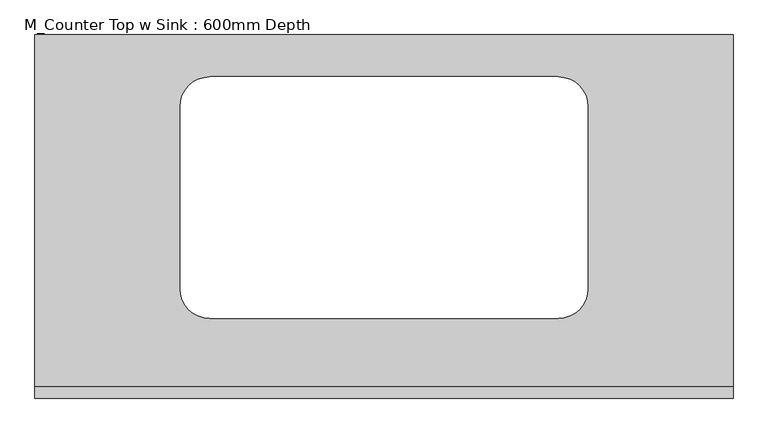
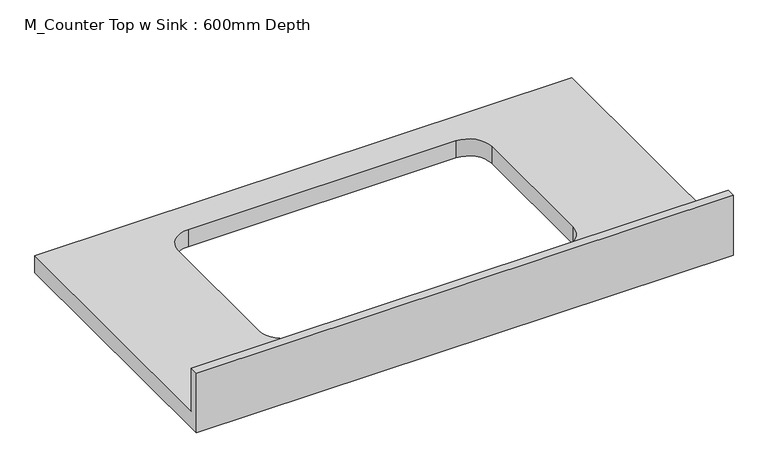
"""IFC4 building model written with IfcOpenShell, lengths in millimetres: furniture geometry, M_Counter Top w Sink : 600mm Depth."""

from ifc_helpers import new_model, si_unit, frame, origin, place, context, project, spatial, polyline, circle_curve, source, transform, mapped, element, save
from ifc_brep_helpers import plane_surface, revolved_surface, advanced_brep


def m_counter_top_w_sink_600mm_depth_d4a3e6a8(model_context):
    return source(origin(), model_context, "Body", "AdvancedBrep", [
        advanced_brep(
        [(-1200.4622951, 625.0, 900.0), (-1200.4622951, 19.05, 900.0), (-0.4622951, 19.05, 900.0), (-0.4622951, 625.0, 900.0), (-899.8622951, 137.3, 900.0), (-950.6622951, 188.1, 900.0), (-950.6622951, 501.9, 900.0), (-899.8622951, 552.7, 900.0), (-301.0622951, 552.7, 900.0), (-250.2622951, 501.9, 900.0), (-250.2622951, 188.1, 900.0), (-301.0622951, 137.3, 900.0), (-0.4622951, 0.0, 860.0), (-1200.4622951, 0.0, 860.0), (-1200.4622951, 625.0, 860.0), (-0.4622951, 625.0, 860.0), (-301.0622951, 137.3, 860.0), (-250.2622951, 188.1, 860.0), (-250.2622951, 501.9, 860.0), (-301.0622951, 552.7, 860.0), (-899.8622951, 552.7, 860.0), (-950.6622951, 501.9, 860.0), (-950.6622951, 188.1, 860.0), (-899.8622951, 137.3, 860.0), (-0.4622951, 0.0, 1001.6), (-1200.4622951, 0.0, 1001.6), (-1200.4622951, 19.05, 1001.6), (-0.4622951, 19.05, 1001.6)],
        [
            (0, 1),
            (1, 2),
            (2, 3),
            (3, 0),
            (4, 5, circle_curve(frame((-899.8622951, 188.1, 900.0), z_axis=(0.0, 0.0, -1.0), x_axis=(1.0, 0.0, 0.0)), 50.8)),
            (5, 6),
            (6, 7, circle_curve(frame((-899.8622951, 501.9, 900.0), z_axis=(0.0, 0.0, -1.0), x_axis=(1.0, 0.0, 0.0)), 50.8)),
            (7, 8),
            (8, 9, circle_curve(frame((-301.0622951, 501.9, 900.0), z_axis=(0.0, 0.0, -1.0), x_axis=(1.0, 0.0, 0.0)), 50.8)),
            (9, 10),
            (10, 11, circle_curve(frame((-301.0622951, 188.1, 900.0), z_axis=(0.0, 0.0, -1.0), x_axis=(1.0, 0.0, 0.0)), 50.8)),
            (11, 4),
            (12, 13),
            (13, 14),
            (14, 15),
            (15, 12),
            (16, 17, circle_curve(frame((-301.0622951, 188.1, 860.0), z_axis=(0.0, 0.0, 1.0), x_axis=(1.0, 0.0, 0.0)), 50.8)),
            (17, 18),
            (18, 19, circle_curve(frame((-301.0622951, 501.9, 860.0), z_axis=(0.0, 0.0, 1.0), x_axis=(1.0, 0.0, 0.0)), 50.8)),
            (19, 20),
            (20, 21, circle_curve(frame((-899.8622951, 501.9, 860.0), z_axis=(0.0, 0.0, 1.0), x_axis=(1.0, 0.0, 0.0)), 50.8)),
            (21, 22),
            (22, 23, circle_curve(frame((-899.8622951, 188.1, 860.0), z_axis=(0.0, 0.0, 1.0), x_axis=(1.0, 0.0, 0.0)), 50.8)),
            (23, 16),
            (12, 24),
            (24, 25),
            (25, 13),
            (25, 26),
            (26, 1),
            (0, 14),
            (3, 15),
            (2, 27),
            (27, 24),
            (27, 26),
            (11, 16),
            (23, 4),
            (22, 5),
            (21, 6),
            (20, 7),
            (19, 8),
            (18, 9),
            (17, 10),
        ],
        [
            plane_surface(frame((-1200.4622951, 0.0, 900.0), z_axis=(0.0, 0.0, 1.0), x_axis=(-1.0, 0.0, 0.0))),
            plane_surface(frame((-1200.4622951, 0.0, 860.0), z_axis=(0.0, 0.0, -1.0), x_axis=(1.0, 0.0, 0.0))),
            plane_surface(frame((-0.4622951, 0.0, 900.0), z_axis=(0.0, -1.0, 0.0), x_axis=(0.0, 0.0, -1.0))),
            plane_surface(frame((-1200.4622951, 0.0, 900.0), z_axis=(-1.0, 0.0, 0.0), x_axis=(0.0, 0.0, -1.0))),
            plane_surface(frame((-1200.4622951, 625.0, 900.0), z_axis=(0.0, 1.0, 0.0), x_axis=(0.0, 0.0, -1.0))),
            plane_surface(frame((-0.4622951, 625.0, 900.0), z_axis=(1.0, 0.0, 0.0), x_axis=(0.0, 0.0, -1.0))),
            plane_surface(frame((-1200.4622951, 0.0, 1001.6), z_axis=(0.0, 0.0, 1.0), x_axis=(0.0, 1.0, 0.0))),
            plane_surface(frame((-1200.4622951, 19.05, 1001.6), z_axis=(0.0, 1.0, 0.0), x_axis=(0.0, 0.0, -1.0))),
            plane_surface(frame((-301.0622951, 137.3, 900.0), z_axis=(0.0, 1.0, 0.0), x_axis=(0.0, 0.0, -1.0))),
            revolved_surface(polyline([(-849.0622951, 188.1, 900.0), (-849.0622951, 188.1, 860.0)]), (-899.8622951, 188.1, 860.0), (0.0, 0.0, 1.0)),
            plane_surface(frame((-950.6622951, 188.1, 900.0), z_axis=(1.0, 0.0, 0.0), x_axis=(0.0, 0.0, -1.0))),
            revolved_surface(polyline([(-849.0622951, 501.9, 900.0), (-849.0622951, 501.9, 860.0)]), (-899.8622951, 501.9, 860.0), (0.0, 0.0, 1.0)),
            plane_surface(frame((-899.8622951, 552.7, 900.0), z_axis=(0.0, -1.0, 0.0), x_axis=(0.0, 0.0, -1.0))),
            revolved_surface(polyline([(-250.26229509999996, 501.9, 900.0), (-250.26229509999996, 501.9, 860.0)]), (-301.0622951, 501.9, 860.0), (0.0, 0.0, 1.0)),
            plane_surface(frame((-250.2622951, 501.9, 900.0), z_axis=(-1.0, 0.0, 0.0), x_axis=(0.0, 0.0, -1.0))),
            revolved_surface(polyline([(-250.26229509999996, 188.1, 900.0), (-250.26229509999996, 188.1, 860.0)]), (-301.0622951, 188.1, 860.0), (0.0, 0.0, 1.0)),
        ],
        [
            (0, [[1, 2, 3, 4], [5, 6, 7, 8, 9, 10, 11, 12]]),
            (1, [[13, 14, 15, 16], [17, 18, 19, 20, 21, 22, 23, 24]]),
            (2, [[25, 26, 27, -13]]),
            (3, [[-27, 28, 29, -1, 30, -14]]),
            (4, [[31, -15, -30, -4]]),
            (5, [[-31, -3, 32, 33, -25, -16]]),
            (6, [[-26, -33, 34, -28]]),
            (7, [[-32, -2, -29, -34]]),
            (8, [[-12, 35, -24, 36]]),
            (9, [[-23, 37, -5, -36]]),
            (10, [[-22, 38, -6, -37]]),
            (11, [[-21, 39, -7, -38]]),
            (12, [[-20, 40, -8, -39]]),
            (13, [[-19, 41, -9, -40]]),
            (14, [[-18, 42, -10, -41]]),
            (15, [[-11, -42, -17, -35]]),
        ],
    ),
    ])


if __name__ == "__main__":
    model = new_model("IFC4")
    model_context = context("Model", 3, world=origin())
    ifc_project = project(units=[si_unit("LENGTHUNIT", "METRE", prefix="MILLI")], contexts=[model_context])
    site = spatial("IfcSite", under=ifc_project)
    building = spatial("IfcBuilding", under=site)
    placement = place(None, origin())
    m_counter_top_w_sink_600mm_depth_shape = m_counter_top_w_sink_600mm_depth_d4a3e6a8(model_context)
    element("IfcFurniture", 1, ObjectType="M_Counter Top w Sink : 600mm Depth", at=placement, inside=building, context=model_context, shape_type="MappedRepresentation", body=[
        mapped(m_counter_top_w_sink_600mm_depth_shape, transform((0.0, 0.0, 0.0), x_axis=(1.0, 0.0, 0.0), y_axis=(0.0, 1.0, 0.0), z_axis=(0.0, 0.0, 1.0))),
    ])
    save(model, "model.ifc")
